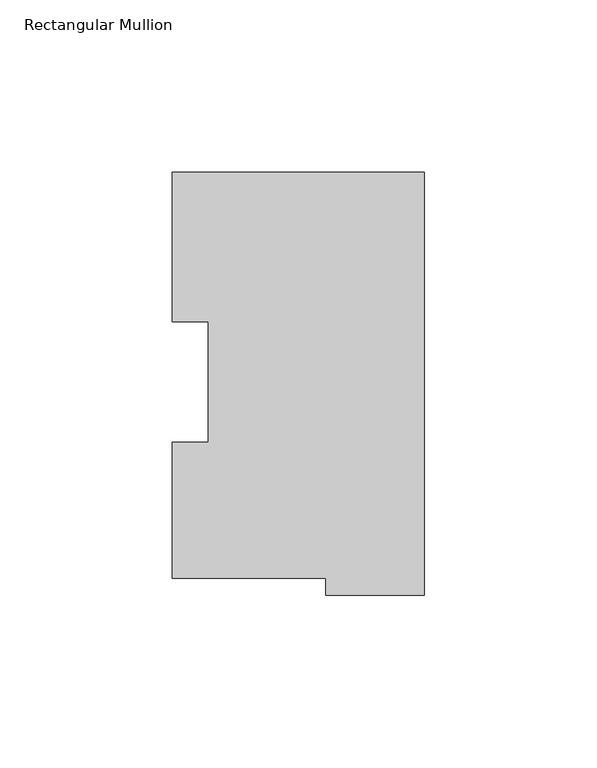
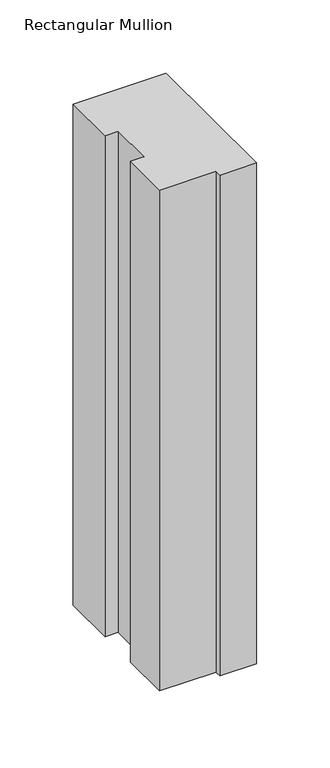
"""IFC4 building model written with IfcOpenShell, lengths in millimetres: member geometry, Rectangular Mullion."""

from ifc_helpers import new_model, si_unit, frame, origin, place, context, project, spatial, polyline, outline, extrude, source, transform, mapped, element, save


def rectangular_mullion_f97b1b8b(model_context):
    return source(origin(), model_context, "Body", "SweptSolid", [
        extrude(outline(polyline([(-73.025, 117.827425), (0.0, 117.827425), (0.0, -4.778375), (-28.575, -4.778375), (-28.575, 0.225425), (-73.025, 0.225425), (-73.025, 39.646225), (-62.7126, 39.646225), (-62.7126, 74.596625), (-73.025, 74.596625), (-73.025, 117.827425)])), frame((0.0, 0.0, -415.925), z_axis=(0.0, 0.0, 1.0), x_axis=(1.0, 0.0, 0.0)), (0.0, 0.0, 1.0), 415.925),
    ])


if __name__ == "__main__":
    model = new_model("IFC4")
    model_context = context("Model", 3, world=origin())
    ifc_project = project(units=[si_unit("LENGTHUNIT", "METRE", prefix="MILLI")], contexts=[model_context])
    site = spatial("IfcSite", under=ifc_project)
    building = spatial("IfcBuilding", under=site)
    placement = place(None, origin())
    rectangular_mullion_shape = rectangular_mullion_f97b1b8b(model_context)
    element("IfcMember", 1, ObjectType="Rectangular Mullion", at=placement, inside=building, context=model_context, shape_type="MappedRepresentation", body=[
        mapped(rectangular_mullion_shape, transform((0.0, 0.0, 0.0), x_axis=(1.0, 0.0, 0.0), y_axis=(0.0, 1.0, 0.0), z_axis=(0.0, 0.0, 1.0))),
    ])
    save(model, "model.ifc")
